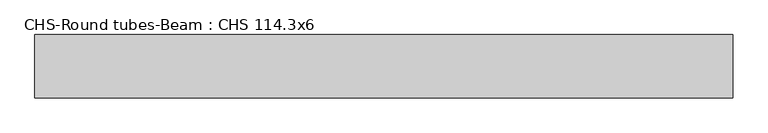
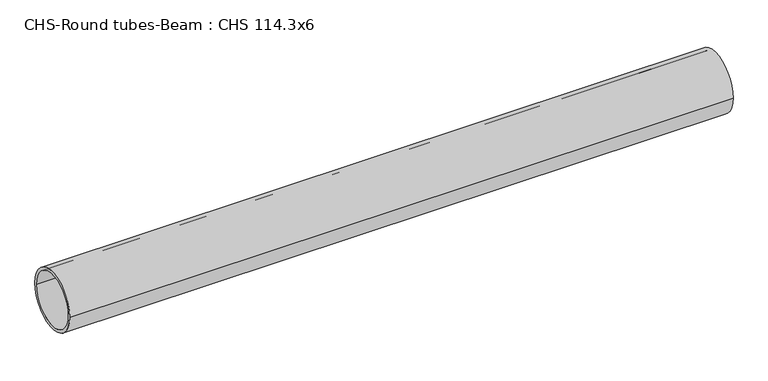
"""IFC4 building model written with IfcOpenShell, lengths in millimetres: beam geometry, CHS-Round tubes-Beam : CHS 114.3x6."""

from ifc_helpers import new_model, si_unit, point, frame, origin, origin_2d, place, context, project, spatial, circle_curve, trimmed, segment, composite_curve, outline, extrude, source, transform, mapped, element, save


def chs_round_tubes_beam_chs_114_3x6_1d3accbf(model_context):
    return source(origin(), model_context, "Body", "SweptSolid", [
        extrude(outline(composite_curve([segment(trimmed(circle_curve(origin_2d(), 57.15), [point((57.15, 0.0))], [point((-57.15, 0.0))], False, "CARTESIAN"), True, "CONTINUOUS"), segment(trimmed(circle_curve(origin_2d(), 57.15), [point((-57.15, 0.0))], [point((57.15, 0.0))], False, "CARTESIAN"), True, "CONTINUOUS")], self_intersect=False), holes=[composite_curve([segment(trimmed(circle_curve(origin_2d(), 51.15), [point((51.15, 0.0))], [point((-51.15, 0.0))], True, "CARTESIAN"), True, "CONTINUOUS"), segment(trimmed(circle_curve(origin_2d(), 51.15), [point((-51.15, 0.0))], [point((51.15, 0.0))], True, "CARTESIAN"), True, "CONTINUOUS")], self_intersect=False)]), frame((-627.9730342, 0.0, 0.0), z_axis=(1.0, 0.0, 0.0), x_axis=(0.0, 1.0, 0.0)), (0.0, 0.0, 1.0), 1255.9460684),
    ])


if __name__ == "__main__":
    model = new_model("IFC4")
    model_context = context("Model", 3, world=origin())
    ifc_project = project(units=[si_unit("LENGTHUNIT", "METRE", prefix="MILLI")], contexts=[model_context])
    site = spatial("IfcSite", under=ifc_project)
    building = spatial("IfcBuilding", under=site)
    placement = place(None, origin())
    chs_round_tubes_beam_chs_114_3x6_shape = chs_round_tubes_beam_chs_114_3x6_1d3accbf(model_context)
    element("IfcBeam", 1, ObjectType="CHS-Round tubes-Beam : CHS 114.3x6", at=placement, inside=building, context=model_context, shape_type="MappedRepresentation", body=[
        mapped(chs_round_tubes_beam_chs_114_3x6_shape, transform((0.0, 0.0, 0.0), x_axis=(1.0, 0.0, 0.0), y_axis=(0.0, 1.0, 0.0), z_axis=(0.0, 0.0, 1.0))),
    ])
    save(model, "model.ifc")
